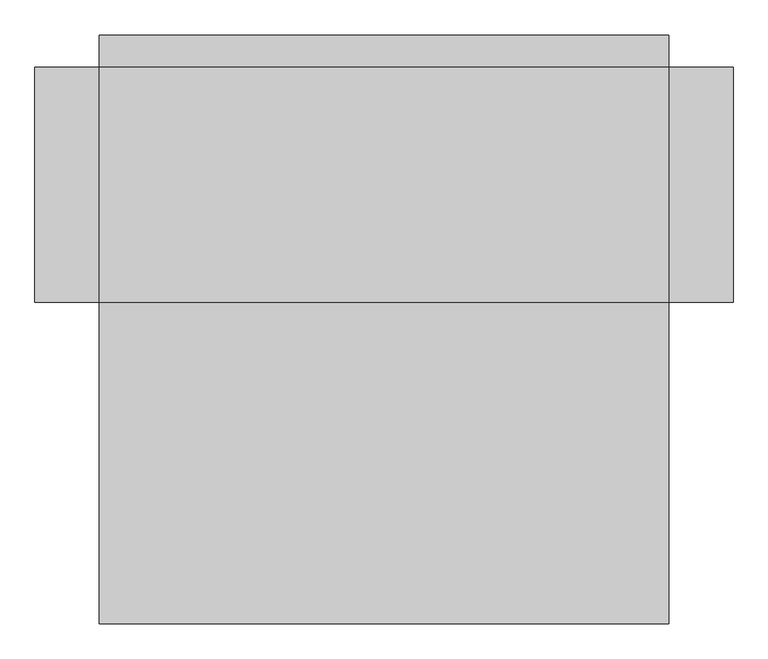
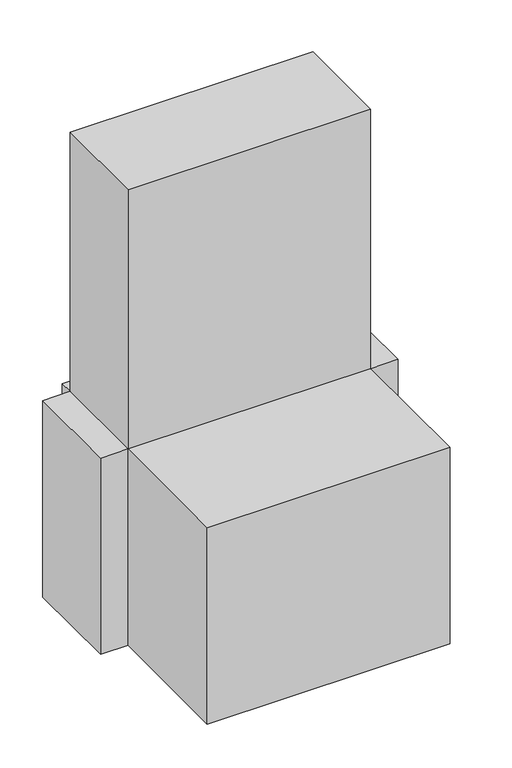
"""IFC4 building model written with IfcOpenShell, lengths in millimetres: proxy geometry."""

import ifcopenshell
import ifcopenshell.guid

model = None  # the IFC model being written
_history = None  # IfcOwnerHistory: only IFC2X3 demands one
_inside = {}  # id of a spatial element -> (the spatial element, [elements in it])
_under = {}  # id of a project, library or spatial element -> (it, [spatial elements below it])
_declared = {}  # id of a project -> (the project, [libraries it declares])
_typed = {}  # id of a type object -> (the type object, [elements of that type])
_made_of = {}  # id of a material, layer set ... -> (it, [elements and type objects made of it])


def new_model(schema):
    """Start an empty IFC model of exactly this schema.

    Asked for "IFC4X3", IfcOpenShell would pick the latest addendum, in which some entities
    have other attributes; the version numbers below select the first issue.
    IFC2X3 requires an IfcOwnerHistory on every rooted entity: one is made here for all.
    """
    global model, _history
    if schema == "IFC4X3":
        model = ifcopenshell.file(schema_version=(4, 3, 0, 0))
    else:
        model = ifcopenshell.file(schema=schema)
    _inside.clear()
    _under.clear()
    _declared.clear()
    _typed.clear()
    _made_of.clear()
    _history = None
    if model.schema == "IFC2X3":
        org = make("IfcOrganization", Name="unknown")
        user = make(
            "IfcPersonAndOrganization",
            ThePerson=make("IfcPerson", FamilyName="unknown"),
            TheOrganization=org,
        )
        app = make(
            "IfcApplication",
            ApplicationDeveloper=org,
            Version="unknown",
            ApplicationFullName="unknown",
            ApplicationIdentifier="unknown",
        )
        _history = make(
            "IfcOwnerHistory",
            OwningUser=user,
            OwningApplication=app,
            ChangeAction="ADDED",
            CreationDate=0,
        )
    return model


def make(cls, **values):
    """One entity of the class cls with the attributes given. An attribute that is None is left unset."""
    return model.create_entity(
        cls, **{name: value for name, value in values.items() if value is not None}
    )


def rooted(cls, **values):
    """An entity with a GlobalId (a new one), such as an element, a storey or a relation."""
    return make(cls, GlobalId=ifcopenshell.guid.new(), OwnerHistory=_history, **values)


def si_unit(unit_type, name, prefix=None):
    """IfcSIUnit, for example si_unit("LENGTHUNIT", "METRE", prefix="MILLI")."""
    return make("IfcSIUnit", UnitType=unit_type, Prefix=prefix, Name=name)


def assignment(units):
    """IfcUnitAssignment: the units of a project."""
    return None if units is None else make("IfcUnitAssignment", Units=units)


def point(xyz):
    """IfcCartesianPoint."""
    return None if xyz is None else make("IfcCartesianPoint", Coordinates=xyz)


def direction(xyz):
    """IfcDirection."""
    return None if xyz is None else make("IfcDirection", DirectionRatios=xyz)


def frame(location, z_axis=None, x_axis=None):
    """IfcAxis2Placement3D, a coordinate frame: its origin and axes. An axis left out is left unset."""
    return make(
        "IfcAxis2Placement3D",
        Location=point(location),
        Axis=direction(z_axis),
        RefDirection=direction(x_axis),
    )


def frame_2d(location, x_axis=None):
    """IfcAxis2Placement2D, a coordinate frame in the plane: its origin and x axis."""
    return make(
        "IfcAxis2Placement2D", Location=point(location), RefDirection=direction(x_axis)
    )


def origin():
    """The frame at (0, 0, 0) with its axes left unset."""
    return frame((0.0, 0.0, 0.0))


def origin_with_axes():
    """The frame at (0, 0, 0) with the z axis (0, 0, 1) and the x axis (1, 0, 0) written out."""
    return frame((0.0, 0.0, 0.0), z_axis=(0.0, 0.0, 1.0), x_axis=(1.0, 0.0, 0.0))


def place(relative_to, where):
    """IfcLocalPlacement: puts the frame where relative to a parent placement (None: the world)."""
    return make(
        "IfcLocalPlacement", PlacementRelTo=relative_to, RelativePlacement=where
    )


def context(
    kind, dimensions, precision=None, world=None, true_north=None, identifier=None
):
    """IfcGeometricRepresentationContext, for example the 3D "Model" context."""
    return make(
        "IfcGeometricRepresentationContext",
        ContextIdentifier=identifier,
        ContextType=kind,
        CoordinateSpaceDimension=dimensions,
        Precision=precision,
        WorldCoordinateSystem=world,
        TrueNorth=true_north,
    )


def project(units=None, contexts=None):
    """IfcProject with its units and contexts."""
    return rooted(
        "IfcProject",
        Name="project",
        RepresentationContexts=contexts,
        UnitsInContext=assignment(units),
    )


def spatial(cls, under=None, at=None, **own):
    """A site, building, storey or space (cls), placed at a placement, below another one or the project."""
    s = rooted(cls, ObjectPlacement=at, **own)
    if under is not None:
        _under.setdefault(under.id(), (under, []))[1].append(s)
    return s


def polyline(points):
    """IfcPolyline through the points."""
    return make("IfcPolyline", Points=[point(p) for p in points])


def circle_curve(where, radius):
    """IfcCircle in the frame where."""
    return make("IfcCircle", Position=where, Radius=radius)


def trimmed(basis, trim1, trim2, sense, master):
    """IfcTrimmedCurve: the piece of a basis curve between two trims."""
    return make(
        "IfcTrimmedCurve",
        BasisCurve=basis,
        Trim1=trim1,
        Trim2=trim2,
        SenseAgreement=sense,
        MasterRepresentation=master,
    )


def segment(curve, same_sense, transition):
    """IfcCompositeCurveSegment."""
    return make(
        "IfcCompositeCurveSegment",
        Transition=transition,
        SameSense=same_sense,
        ParentCurve=curve,
    )


def composite_curve(segments, self_intersect=None):
    """IfcCompositeCurve: segments joined end to end."""
    return make("IfcCompositeCurve", Segments=segments, SelfIntersect=self_intersect)


def outline(outer, holes=None, kind="AREA"):
    """IfcArbitraryClosedProfileDef: a profile drawn as a closed curve; with holes, ...WithVoids."""
    if holes is None:
        return make("IfcArbitraryClosedProfileDef", ProfileType=kind, OuterCurve=outer)
    return make(
        "IfcArbitraryProfileDefWithVoids",
        ProfileType=kind,
        OuterCurve=outer,
        InnerCurves=holes,
    )


def extrude(swept, where, along, depth):
    """IfcExtrudedAreaSolid: the profile swept, set in the frame where, extruded along a direction by depth."""
    return make(
        "IfcExtrudedAreaSolid",
        SweptArea=swept,
        Position=where,
        ExtrudedDirection=direction(along),
        Depth=depth,
    )


def shape(context_of_items, identifier, shape_type, items):
    """IfcShapeRepresentation: the items that make up one representation, for example the "Body"."""
    return make(
        "IfcShapeRepresentation",
        ContextOfItems=context_of_items,
        RepresentationIdentifier=identifier,
        RepresentationType=shape_type,
        Items=items,
    )


def source(mapping_origin, context_of_items, identifier, shape_type, items):
    """IfcRepresentationMap: a shape defined once, which mapped items show again and again."""
    return make(
        "IfcRepresentationMap",
        MappingOrigin=mapping_origin,
        MappedRepresentation=shape(context_of_items, identifier, shape_type, items),
    )


def transform(
    local_origin,
    x_axis=None,
    y_axis=None,
    z_axis=None,
    scale=None,
    scale2=None,
    scale3=None,
    uniform=True,
):
    """IfcCartesianTransformationOperator3D, or its non-uniform kind. x_axis, y_axis, z_axis: its Axis1, 2, 3."""
    if uniform:
        return make(
            "IfcCartesianTransformationOperator3D",
            Axis1=direction(x_axis),
            Axis2=direction(y_axis),
            LocalOrigin=point(local_origin),
            Scale=scale,
            Axis3=direction(z_axis),
        )
    return make(
        "IfcCartesianTransformationOperator3DnonUniform",
        Axis1=direction(x_axis),
        Axis2=direction(y_axis),
        LocalOrigin=point(local_origin),
        Scale=scale,
        Axis3=direction(z_axis),
        Scale2=scale2,
        Scale3=scale3,
    )


def mapped(mapping_source, mapping_target):
    """IfcMappedItem: shows the shape of a source again, moved by a transform."""
    return make(
        "IfcMappedItem", MappingSource=mapping_source, MappingTarget=mapping_target
    )


def made_of(thing, what):
    """Note that an element or type object is made of a material, layer set ...; save() writes the relation."""
    if what is not None:
        _made_of.setdefault(what.id(), (what, []))[1].append(thing)
    return thing


def element(
    cls,
    number,
    at=None,
    inside=None,
    cuts=None,
    type_object=None,
    material=None,
    context=None,
    identifier="Body",
    shape_type=None,
    held_by="IfcProductDefinitionShape",
    body=None,
    shapes=None,
    **own,
):
    """One element of the class cls, such as IfcWall. Its Tag is "e" and its number.

    at: its placement. inside: the storey or other place that contains it. cuts: it is an
    opening in that element (IfcRelVoidsElement). A single representation is given by context,
    identifier, shape_type and body (its items); several are given by shapes. held_by: the class
    of the entity that holds the representations. save() writes the other relations.
    """
    e = rooted(cls, Tag="e%d" % number, ObjectPlacement=at, **own)
    if body is not None:
        shapes = [shape(context, identifier, shape_type, body)]
    if shapes is not None:
        e.Representation = make(held_by, Representations=shapes)
    if inside is not None:
        _inside.setdefault(inside.id(), (inside, []))[1].append(e)
    if cuts is not None:
        rooted(
            "IfcRelVoidsElement", RelatingBuildingElement=cuts, RelatedOpeningElement=e
        )
    if type_object is not None:
        _typed.setdefault(type_object.id(), (type_object, []))[1].append(e)
    return made_of(e, material)


def aggregate(whole, parts):
    """IfcRelAggregates: a whole, such as a stair, and the parts it consists of."""
    return rooted("IfcRelAggregates", RelatingObject=whole, RelatedObjects=parts)


def save(model, path):
    """Write the relations noted so far, then the file.

    IfcRelAggregates (storeys below a building ...), IfcRelContainedInSpatialStructure (elements
    in a storey), IfcRelDefinesByType, IfcRelAssociatesMaterial and IfcRelDeclares: one each for
    every whole, place, type object, material and project.
    """
    for whole, parts in _under.values():
        aggregate(whole, parts)
    for where, things in _inside.values():
        rooted(
            "IfcRelContainedInSpatialStructure",
            RelatedElements=things,
            RelatingStructure=where,
        )
    for kind, things in _typed.values():
        rooted("IfcRelDefinesByType", RelatedObjects=things, RelatingType=kind)
    for what, things in _made_of.values():
        rooted("IfcRelAssociatesMaterial", RelatedObjects=things, RelatingMaterial=what)
    for by, libraries in _declared.values():
        rooted("IfcRelDeclares", RelatingContext=by, RelatedDefinitions=libraries)
    model.write(path)


def plane_surface(at):
    """IfcPlane: the flat surface through the origin of the frame at, square to its z axis."""
    return make("IfcPlane", Position=at)


def revolved_surface(curve, axis_point, axis_direction):
    """IfcSurfaceOfRevolution: the curve turned about the line through axis_point along axis_direction."""
    return make(
        "IfcSurfaceOfRevolution",
        SweptCurve=make("IfcArbitraryOpenProfileDef", ProfileType="CURVE", Curve=curve),
        AxisPosition=make("IfcAxis1Placement", Location=point(axis_point), Axis=direction(axis_direction)),
    )


def advanced_brep(points, edges, surfaces, faces):
    """IfcAdvancedBrep: a solid bounded by faces that lie on surfaces and meet in shared edges.

    An edge is (start, end): straight between two places in points (the first is 0);
    or (start, end, curve); or (start, end, curve, False) where it runs against its curve.
    A face is (place in surfaces, loops), or (place, loops, False) where it looks against
    its surface's normal. A loop lists edges by number (the first is 1), with a minus sign
    where the edge is run from its end to its start. The first loop is the outer one.
    """
    corners = [point(p) for p in points]
    vertices = [make("IfcVertexPoint", VertexGeometry=c) for c in corners]
    made = []
    for start, end, *more in edges:
        made.append(
            make(
                "IfcEdgeCurve",
                EdgeStart=vertices[start],
                EdgeEnd=vertices[end],
                EdgeGeometry=more[0] if more else make("IfcPolyline", Points=[corners[start], corners[end]]),
                SameSense=more[1] if len(more) > 1 else True,
            )
        )
    hull = []
    for where, loops, *sense in faces:
        bounds = []
        for j, loop in enumerate(loops):
            ring = [make("IfcOrientedEdge", EdgeElement=made[abs(k) - 1], Orientation=k > 0) for k in loop]
            bounds.append(
                make(
                    "IfcFaceOuterBound" if j == 0 else "IfcFaceBound",
                    Bound=make("IfcEdgeLoop", EdgeList=ring),
                    Orientation=True,
                )
            )
        hull.append(make("IfcAdvancedFace", Bounds=bounds, FaceSurface=surfaces[where], SameSense=sense[0] if sense else True))
    return make("IfcAdvancedBrep", Outer=make("IfcClosedShell", CfsFaces=hull))


def mechanical_equipment_5880aff2(model_context):
    return source(origin(), model_context, "Body", "SolidModel", [
        extrude(outline(composite_curve([segment(trimmed(circle_curve(frame_2d((310.35625, -117.475)), 4.7625), [point((315.11875, -117.475))], [point((305.59375, -117.475))], False, "CARTESIAN"), True, "CONTINUOUS"), segment(trimmed(circle_curve(frame_2d((310.35625, -117.475)), 4.7625), [point((305.59375, -117.475))], [point((315.11875, -117.475))], False, "CARTESIAN"), True, "CONTINUOUS")], self_intersect=False)), frame((0.0, 0.0, 341.3125), z_axis=(0.0, 0.0, 1.0), x_axis=(1.0, 0.0, 0.0)), (0.0, 0.0, 1.0), 6.35),
        extrude(outline(composite_curve([segment(trimmed(circle_curve(frame_2d((408.78125, -100.0125)), 7.9375), [point((408.78125, -92.075))], [point((408.78125, -107.95))], False, "CARTESIAN"), True, "CONTINUOUS"), segment(trimmed(circle_curve(frame_2d((408.78125, -100.0125)), 7.9375), [point((408.78125, -107.95))], [point((408.78125, -92.075))], False, "CARTESIAN"), True, "CONTINUOUS")], self_intersect=False)), frame((0.0, 0.0, 339.725), z_axis=(0.0, 0.0, 1.0), x_axis=(1.0, 0.0, 0.0)), (0.0, 0.0, 1.0), 6.35),
        extrude(outline(polyline([(-344.4875, 185.7375), (-276.225, 185.7375), (-276.225, -185.7375), (-344.4875, -185.7375), (-344.4875, 185.7375)])), origin_with_axes(), (0.0, 0.0, 1.0), 28.575),
        extrude(outline(polyline([(276.225, 185.7375), (344.4875, 185.7375), (344.4875, -185.7375), (276.225, -185.7375), (276.225, 185.7375)])), origin_with_axes(), (0.0, 0.0, 1.0), 28.575),
        extrude(outline(polyline([(678.65625, 146.84375), (678.65625, -411.95625), (119.85625, -411.95625), (119.85625, 146.84375), (678.65625, 146.84375)]), holes=[composite_curve([segment(trimmed(circle_curve(frame_2d((399.25625, -132.55625)), 254.0), [point((399.25625, -386.55625))], [point((399.25625, 121.44375))], True, "CARTESIAN"), True, "CONTINUOUS"), segment(trimmed(circle_curve(frame_2d((399.25625, -132.55625)), 254.0), [point((399.25625, 121.44375))], [point((399.25625, -386.55625))], True, "CARTESIAN"), True, "CONTINUOUS")], self_intersect=False)]), frame((0.0, -185.7375, 0.0), z_axis=(0.0, 1.0, 0.0), x_axis=(0.0, 0.0, 1.0)), (0.0, 0.0, 1.0), 25.4),
        extrude(outline(polyline([(-450.05625, 185.7375), (-450.05625, -185.7375), (-551.65625, -185.7375), (-551.65625, 185.7375), (-450.05625, 185.7375)])), origin_with_axes(), (0.0, 0.0, 1.0), 769.9375),
        extrude(outline(polyline([(450.05625, -185.7375), (450.05625, 185.7375), (551.65625, 185.7375), (551.65625, -185.7375), (450.05625, -185.7375)])), origin_with_axes(), (0.0, 0.0, 1.0), 769.9375),
        extrude(outline(polyline([(450.05625, 185.7375), (-450.05625, 185.7375), (-450.05625, 236.5375), (450.05625, 236.5375), (450.05625, 185.7375)])), origin_with_axes(), (0.0, 0.0, 1.0), 769.9375),
        extrude(outline(polyline([(-450.05625, -185.7375), (450.05625, -185.7375), (450.05625, -693.7375), (-450.05625, -693.7375), (-450.05625, -185.7375)])), origin_with_axes(), (0.0, 0.0, 1.0), 769.9375),
        extrude(outline(polyline([(450.05625, 185.7375), (450.05625, -185.7375), (-450.05625, -185.7375), (-450.05625, 185.7375), (450.05625, 185.7375)])), frame((0.0, 0.0, 769.9375), z_axis=(0.0, 0.0, 1.0), x_axis=(1.0, 0.0, 0.0)), (0.0, 0.0, 1.0), 1016.0),
        advanced_brep(
        [(450.05625, 160.3375, 28.575), (450.05625, -160.3375, 28.575), (-450.05625, -160.3375, 28.575), (-450.05625, 160.3375, 28.575), (-392.90625, -42.8625, 28.575), (-418.30625, -42.8625, 28.575), (-16.66875, 58.7375, 28.575), (-42.06875, 58.7375, 28.575), (173.83125, 128.5875, 28.575), (148.43125, 128.5875, 28.575), (450.05625, 160.3375, 769.9375), (-450.05625, 160.3375, 769.9375), (-450.05625, -160.3375, 769.9375), (450.05625, -160.3375, 769.9375), (-418.30625, -42.8625, 34.925), (-392.90625, -42.8625, 34.925), (-42.06875, 58.7375, 34.925), (-16.66875, 58.7375, 34.925), (148.43125, 128.5875, 34.925), (173.83125, 128.5875, 34.925)],
        [
            (0, 1),
            (1, 2),
            (2, 3),
            (3, 0),
            (4, 5, circle_curve(frame((-405.60625, -42.8625, 28.575), z_axis=(0.0, 0.0, 1.0), x_axis=(1.0, 0.0, 0.0)), 12.7)),
            (5, 4, circle_curve(frame((-405.60625, -42.8625, 28.575), z_axis=(0.0, 0.0, 1.0), x_axis=(1.0, 0.0, 0.0)), 12.7)),
            (6, 7, circle_curve(frame((-29.36875, 58.7375, 28.575), z_axis=(0.0, 0.0, 1.0), x_axis=(1.0, 0.0, 0.0)), 12.7)),
            (7, 6, circle_curve(frame((-29.36875, 58.7375, 28.575), z_axis=(0.0, 0.0, 1.0), x_axis=(1.0, 0.0, 0.0)), 12.7)),
            (8, 9, circle_curve(frame((161.13125, 128.5875, 28.575), z_axis=(0.0, 0.0, 1.0), x_axis=(1.0, 0.0, 0.0)), 12.7)),
            (9, 8, circle_curve(frame((161.13125, 128.5875, 28.575), z_axis=(0.0, 0.0, 1.0), x_axis=(1.0, 0.0, 0.0)), 12.7)),
            (10, 11),
            (11, 12),
            (12, 13),
            (13, 10),
            (0, 10),
            (13, 1),
            (12, 2),
            (11, 3),
            (14, 15, circle_curve(frame((-405.60625, -42.8625, 34.925), z_axis=(0.0, 0.0, -1.0), x_axis=(1.0, 0.0, 0.0)), 12.7)),
            (15, 14, circle_curve(frame((-405.60625, -42.8625, 34.925), z_axis=(0.0, 0.0, -1.0), x_axis=(1.0, 0.0, 0.0)), 12.7)),
            (14, 5),
            (4, 15),
            (16, 17, circle_curve(frame((-29.36875, 58.7375, 34.925), z_axis=(0.0, 0.0, -1.0), x_axis=(1.0, 0.0, 0.0)), 12.7)),
            (17, 16, circle_curve(frame((-29.36875, 58.7375, 34.925), z_axis=(0.0, 0.0, -1.0), x_axis=(1.0, 0.0, 0.0)), 12.7)),
            (16, 7),
            (6, 17),
            (18, 19, circle_curve(frame((161.13125, 128.5875, 34.925), z_axis=(0.0, 0.0, -1.0), x_axis=(1.0, 0.0, 0.0)), 12.7)),
            (19, 18, circle_curve(frame((161.13125, 128.5875, 34.925), z_axis=(0.0, 0.0, -1.0), x_axis=(1.0, 0.0, 0.0)), 12.7)),
            (18, 9),
            (8, 19),
        ],
        [
            plane_surface(frame((0.0, 0.0, 28.575), z_axis=(0.0, 0.0, -1.0), x_axis=(0.0, -1.0, 0.0))),
            plane_surface(frame((0.0, 0.0, 769.9375), z_axis=(0.0, 0.0, 1.0), x_axis=(0.0, -1.0, 0.0))),
            plane_surface(frame((450.05625, 160.3375, 28.575), z_axis=(1.0, 0.0, 0.0), x_axis=(0.0, 0.0, 1.0))),
            plane_surface(frame((450.05625, -160.3375, 28.575), z_axis=(0.0, -1.0, 0.0), x_axis=(0.0, 0.0, 1.0))),
            plane_surface(frame((-450.05625, -160.3375, 28.575), z_axis=(-1.0, 0.0, 0.0), x_axis=(0.0, 0.0, 1.0))),
            plane_surface(frame((-450.05625, 160.3375, 28.575), z_axis=(0.0, 1.0, 0.0), x_axis=(0.0, 0.0, 1.0))),
            plane_surface(frame((-405.60625, -42.8625, 34.925), z_axis=(0.0, 0.0, -1.0), x_axis=(0.0, 1.0, 0.0))),
            revolved_surface(polyline([(-392.90625, -42.8625, 28.575), (-392.90625, -42.8625, 34.925)]), (-405.60625, -42.8625, 28.575), (0.0, 0.0, -1.0)),
            plane_surface(frame((-29.36875, 58.7375, 34.925), z_axis=(0.0, 0.0, -1.0), x_axis=(0.0, 1.0, 0.0))),
            revolved_surface(polyline([(-16.66875, 58.7375, 28.575), (-16.66875, 58.7375, 34.925)]), (-29.36875, 58.7375, 28.575), (0.0, 0.0, -1.0)),
            plane_surface(frame((161.13125, 128.5875, 34.925), z_axis=(0.0, 0.0, -1.0), x_axis=(0.0, 1.0, 0.0))),
            revolved_surface(polyline([(173.83124999999998, 128.5875, 28.575), (173.83124999999998, 128.5875, 34.925)]), (161.13125, 128.5875, 28.575), (0.0, 0.0, -1.0)),
        ],
        [
            (0, [[1, 2, 3, 4], [5, 6], [7, 8], [9, 10]]),
            (1, [[11, 12, 13, 14]]),
            (2, [[-1, 15, -14, 16]]),
            (3, [[-2, -16, -13, 17]]),
            (4, [[-3, -17, -12, 18]]),
            (5, [[-4, -18, -11, -15]]),
            (6, [[19, 20]]),
            (7, [[-19, 21, -5, 22]]),
            (7, [[-20, -22, -6, -21]]),
            (8, [[23, 24]]),
            (9, [[-23, 25, -7, 26]]),
            (9, [[-24, -26, -8, -25]]),
            (10, [[27, 28]]),
            (11, [[-27, 29, -9, 30]]),
            (11, [[-28, -30, -10, -29]]),
        ],
    ),
    ])


if __name__ == "__main__":
    model = new_model("IFC4")
    model_context = context("Model", 3, world=origin())
    ifc_project = project(units=[si_unit("LENGTHUNIT", "METRE", prefix="MILLI")], contexts=[model_context])
    site = spatial("IfcSite", under=ifc_project)
    building = spatial("IfcBuilding", under=site)
    placement = place(None, origin())
    mechanical_equipment_shape = mechanical_equipment_5880aff2(model_context)
    element("IfcBuildingElementProxy", 1, Name="Mechanical Equipment", at=placement, inside=building, context=model_context, shape_type="MappedRepresentation", body=[
        mapped(mechanical_equipment_shape, transform((0.0, 0.0, 0.0), x_axis=(1.0, 0.0, 0.0), y_axis=(0.0, 1.0, 0.0), z_axis=(0.0, 0.0, 1.0))),
    ])
    save(model, "model.ifc")
